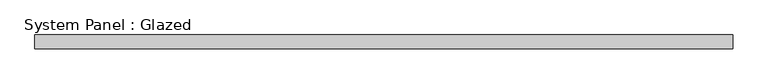
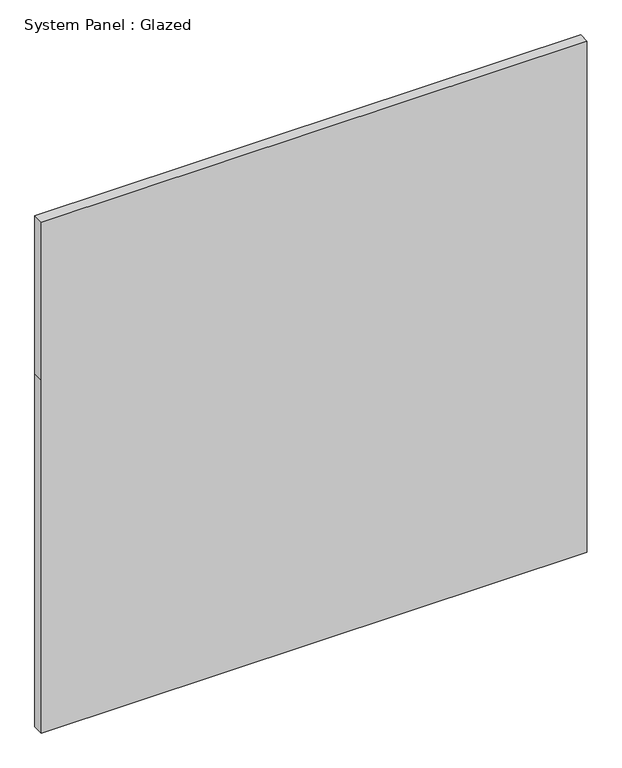
"""IFC4 building model written with IfcOpenShell, lengths in millimetres: plate geometry, System Panel : Glazed."""

from ifc_helpers import new_model, si_unit, frame, origin, place, context, project, spatial, polyline, outline, extrude, source, transform, mapped, element, save


def system_panel_glazed_0094bbcb(model_context):
    return source(origin(), model_context, "Body", "SweptSolid", [
        extrude(outline(polyline([(0.0, -622.7), (0.0, 622.7), (850.9, 622.7), (1231.9, 622.7), (1231.9, -622.7), (850.9, -622.7), (0.0, -622.7)])), frame((0.0, 24.5, 0.0), z_axis=(0.0, 1.0, 0.0), x_axis=(0.0, 0.0, 1.0)), (0.0, 0.0, 1.0), 25.0),
    ])


if __name__ == "__main__":
    model = new_model("IFC4")
    model_context = context("Model", 3, world=origin())
    ifc_project = project(units=[si_unit("LENGTHUNIT", "METRE", prefix="MILLI")], contexts=[model_context])
    site = spatial("IfcSite", under=ifc_project)
    building = spatial("IfcBuilding", under=site)
    placement = place(None, origin())
    system_panel_glazed_shape = system_panel_glazed_0094bbcb(model_context)
    element("IfcPlate", 1, ObjectType="System Panel : Glazed", at=placement, inside=building, context=model_context, shape_type="MappedRepresentation", body=[
        mapped(system_panel_glazed_shape, transform((0.0, 0.0, 0.0), x_axis=(1.0, 0.0, 0.0), y_axis=(0.0, 1.0, 0.0), z_axis=(0.0, 0.0, 1.0))),
    ])
    save(model, "model.ifc")
